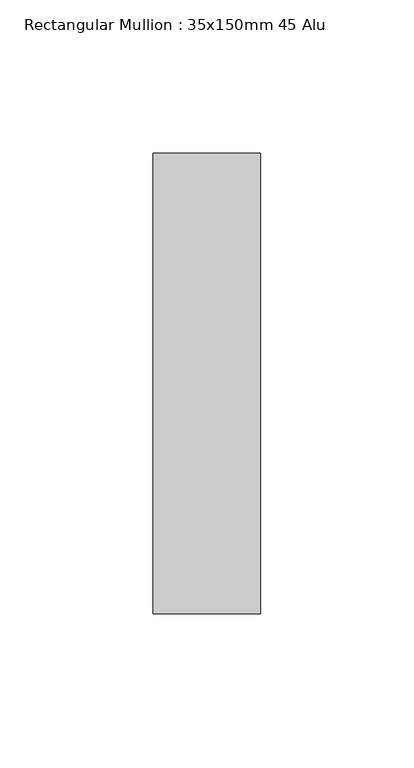
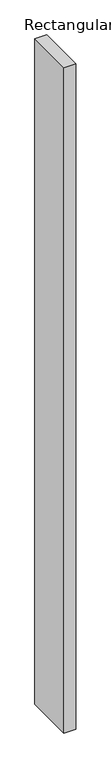
"""IFC4 building model written with IfcOpenShell, lengths in millimetres: member geometry, Rectangular Mullion : 35x150mm 45 Alu."""

from ifc_helpers import new_model, si_unit, frame, origin, place, context, project, spatial, polyline, outline, extrude, source, transform, mapped, element, save


def rectangular_mullion_35x150mm_45_alu_7ca7215f(model_context):
    return source(origin(), model_context, "Body", "SweptSolid", [
        extrude(outline(polyline([(0.0, 30.0), (0.0, -120.0), (-35.0, -120.0), (-35.0, 30.0), (0.0, 30.0)])), frame((0.0, 0.0, -2099.3572971), z_axis=(0.0, 0.0, 1.0), x_axis=(1.0, 0.0, 0.0)), (0.0, 0.0, 1.0), 2099.3572971),
    ])


if __name__ == "__main__":
    model = new_model("IFC4")
    model_context = context("Model", 3, world=origin())
    ifc_project = project(units=[si_unit("LENGTHUNIT", "METRE", prefix="MILLI")], contexts=[model_context])
    site = spatial("IfcSite", under=ifc_project)
    building = spatial("IfcBuilding", under=site)
    placement = place(None, origin())
    rectangular_mullion_35x150mm_45_alu_shape = rectangular_mullion_35x150mm_45_alu_7ca7215f(model_context)
    element("IfcMember", 1, ObjectType="Rectangular Mullion : 35x150mm 45 Alu", at=placement, inside=building, context=model_context, shape_type="MappedRepresentation", body=[
        mapped(rectangular_mullion_35x150mm_45_alu_shape, transform((0.0, 0.0, 0.0), x_axis=(1.0, 0.0, 0.0), y_axis=(0.0, 1.0, 0.0), z_axis=(0.0, 0.0, 1.0))),
    ])
    save(model, "model.ifc")
